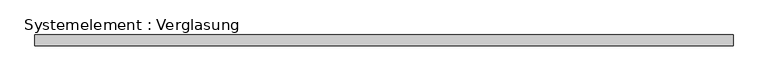
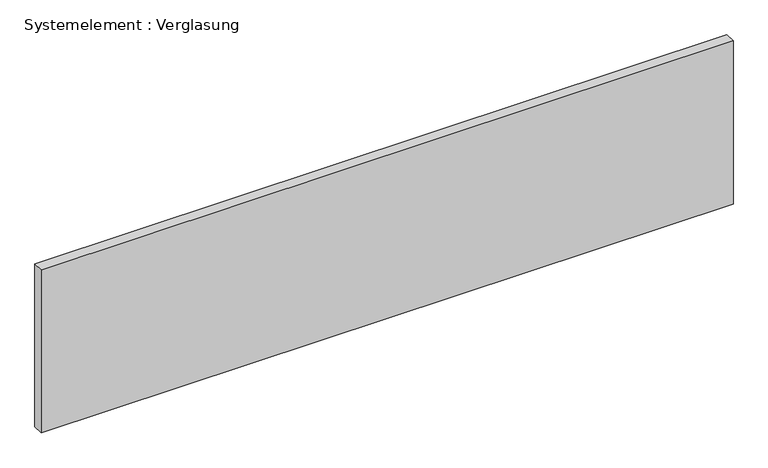
"""IFC4 building model written with IfcOpenShell, lengths in millimetres: plate geometry, Systemelement : Verglasung."""

from ifc_helpers import new_model, si_unit, origin, origin_with_axes, place, context, project, spatial, polyline, outline, extrude, source, transform, mapped, element, save


def systemelement_verglasung_18160f33(model_context):
    return source(origin(), model_context, "Body", "SweptSolid", [
        extrude(outline(polyline([(982.5, -15.0), (-982.5, -15.0), (-982.5, 15.0), (982.5, 15.0), (982.5, -15.0)])), origin_with_axes(), (0.0, 0.0, 1.0), 490.0),
    ])


if __name__ == "__main__":
    model = new_model("IFC4")
    model_context = context("Model", 3, world=origin())
    ifc_project = project(units=[si_unit("LENGTHUNIT", "METRE", prefix="MILLI")], contexts=[model_context])
    site = spatial("IfcSite", under=ifc_project)
    building = spatial("IfcBuilding", under=site)
    placement = place(None, origin())
    systemelement_verglasung_shape = systemelement_verglasung_18160f33(model_context)
    element("IfcPlate", 1, ObjectType="Systemelement : Verglasung", at=placement, inside=building, context=model_context, shape_type="MappedRepresentation", body=[
        mapped(systemelement_verglasung_shape, transform((0.0, 0.0, 0.0), x_axis=(1.0, 0.0, 0.0), y_axis=(0.0, 1.0, 0.0), z_axis=(0.0, 0.0, 1.0))),
    ])
    save(model, "model.ifc")
